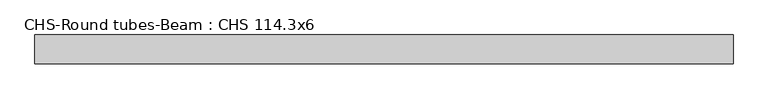
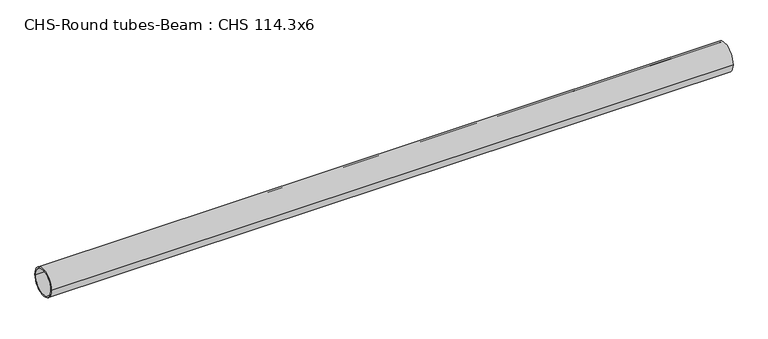
"""IFC4 building model written with IfcOpenShell, lengths in millimetres: beam geometry, CHS-Round tubes-Beam : CHS 114.3x6."""

import ifcopenshell
import ifcopenshell.guid

model = None  # the IFC model being written
_history = None  # IfcOwnerHistory: only IFC2X3 demands one
_inside = {}  # id of a spatial element -> (the spatial element, [elements in it])
_under = {}  # id of a project, library or spatial element -> (it, [spatial elements below it])
_declared = {}  # id of a project -> (the project, [libraries it declares])
_typed = {}  # id of a type object -> (the type object, [elements of that type])
_made_of = {}  # id of a material, layer set ... -> (it, [elements and type objects made of it])


def new_model(schema):
    """Start an empty IFC model of exactly this schema.

    Asked for "IFC4X3", IfcOpenShell would pick the latest addendum, in which some entities
    have other attributes; the version numbers below select the first issue.
    IFC2X3 requires an IfcOwnerHistory on every rooted entity: one is made here for all.
    """
    global model, _history
    if schema == "IFC4X3":
        model = ifcopenshell.file(schema_version=(4, 3, 0, 0))
    else:
        model = ifcopenshell.file(schema=schema)
    _inside.clear()
    _under.clear()
    _declared.clear()
    _typed.clear()
    _made_of.clear()
    _history = None
    if model.schema == "IFC2X3":
        org = make("IfcOrganization", Name="unknown")
        user = make(
            "IfcPersonAndOrganization",
            ThePerson=make("IfcPerson", FamilyName="unknown"),
            TheOrganization=org,
        )
        app = make(
            "IfcApplication",
            ApplicationDeveloper=org,
            Version="unknown",
            ApplicationFullName="unknown",
            ApplicationIdentifier="unknown",
        )
        _history = make(
            "IfcOwnerHistory",
            OwningUser=user,
            OwningApplication=app,
            ChangeAction="ADDED",
            CreationDate=0,
        )
    return model


def make(cls, **values):
    """One entity of the class cls with the attributes given. An attribute that is None is left unset."""
    return model.create_entity(
        cls, **{name: value for name, value in values.items() if value is not None}
    )


def rooted(cls, **values):
    """An entity with a GlobalId (a new one), such as an element, a storey or a relation."""
    return make(cls, GlobalId=ifcopenshell.guid.new(), OwnerHistory=_history, **values)


def si_unit(unit_type, name, prefix=None):
    """IfcSIUnit, for example si_unit("LENGTHUNIT", "METRE", prefix="MILLI")."""
    return make("IfcSIUnit", UnitType=unit_type, Prefix=prefix, Name=name)


def assignment(units):
    """IfcUnitAssignment: the units of a project."""
    return None if units is None else make("IfcUnitAssignment", Units=units)


def point(xyz):
    """IfcCartesianPoint."""
    return None if xyz is None else make("IfcCartesianPoint", Coordinates=xyz)


def direction(xyz):
    """IfcDirection."""
    return None if xyz is None else make("IfcDirection", DirectionRatios=xyz)


def frame(location, z_axis=None, x_axis=None):
    """IfcAxis2Placement3D, a coordinate frame: its origin and axes. An axis left out is left unset."""
    return make(
        "IfcAxis2Placement3D",
        Location=point(location),
        Axis=direction(z_axis),
        RefDirection=direction(x_axis),
    )


def frame_2d(location, x_axis=None):
    """IfcAxis2Placement2D, a coordinate frame in the plane: its origin and x axis."""
    return make(
        "IfcAxis2Placement2D", Location=point(location), RefDirection=direction(x_axis)
    )


def origin():
    """The frame at (0, 0, 0) with its axes left unset."""
    return frame((0.0, 0.0, 0.0))


def origin_2d():
    """The frame at (0, 0) in the plane with its x axis left unset."""
    return frame_2d((0.0, 0.0))


def place(relative_to, where):
    """IfcLocalPlacement: puts the frame where relative to a parent placement (None: the world)."""
    return make(
        "IfcLocalPlacement", PlacementRelTo=relative_to, RelativePlacement=where
    )


def context(
    kind, dimensions, precision=None, world=None, true_north=None, identifier=None
):
    """IfcGeometricRepresentationContext, for example the 3D "Model" context."""
    return make(
        "IfcGeometricRepresentationContext",
        ContextIdentifier=identifier,
        ContextType=kind,
        CoordinateSpaceDimension=dimensions,
        Precision=precision,
        WorldCoordinateSystem=world,
        TrueNorth=true_north,
    )


def project(units=None, contexts=None):
    """IfcProject with its units and contexts."""
    return rooted(
        "IfcProject",
        Name="project",
        RepresentationContexts=contexts,
        UnitsInContext=assignment(units),
    )


def spatial(cls, under=None, at=None, **own):
    """A site, building, storey or space (cls), placed at a placement, below another one or the project."""
    s = rooted(cls, ObjectPlacement=at, **own)
    if under is not None:
        _under.setdefault(under.id(), (under, []))[1].append(s)
    return s


def circle_curve(where, radius):
    """IfcCircle in the frame where."""
    return make("IfcCircle", Position=where, Radius=radius)


def trimmed(basis, trim1, trim2, sense, master):
    """IfcTrimmedCurve: the piece of a basis curve between two trims."""
    return make(
        "IfcTrimmedCurve",
        BasisCurve=basis,
        Trim1=trim1,
        Trim2=trim2,
        SenseAgreement=sense,
        MasterRepresentation=master,
    )


def segment(curve, same_sense, transition):
    """IfcCompositeCurveSegment."""
    return make(
        "IfcCompositeCurveSegment",
        Transition=transition,
        SameSense=same_sense,
        ParentCurve=curve,
    )


def composite_curve(segments, self_intersect=None):
    """IfcCompositeCurve: segments joined end to end."""
    return make("IfcCompositeCurve", Segments=segments, SelfIntersect=self_intersect)


def outline(outer, holes=None, kind="AREA"):
    """IfcArbitraryClosedProfileDef: a profile drawn as a closed curve; with holes, ...WithVoids."""
    if holes is None:
        return make("IfcArbitraryClosedProfileDef", ProfileType=kind, OuterCurve=outer)
    return make(
        "IfcArbitraryProfileDefWithVoids",
        ProfileType=kind,
        OuterCurve=outer,
        InnerCurves=holes,
    )


def extrude(swept, where, along, depth):
    """IfcExtrudedAreaSolid: the profile swept, set in the frame where, extruded along a direction by depth."""
    return make(
        "IfcExtrudedAreaSolid",
        SweptArea=swept,
        Position=where,
        ExtrudedDirection=direction(along),
        Depth=depth,
    )


def shape(context_of_items, identifier, shape_type, items):
    """IfcShapeRepresentation: the items that make up one representation, for example the "Body"."""
    return make(
        "IfcShapeRepresentation",
        ContextOfItems=context_of_items,
        RepresentationIdentifier=identifier,
        RepresentationType=shape_type,
        Items=items,
    )


def source(mapping_origin, context_of_items, identifier, shape_type, items):
    """IfcRepresentationMap: a shape defined once, which mapped items show again and again."""
    return make(
        "IfcRepresentationMap",
        MappingOrigin=mapping_origin,
        MappedRepresentation=shape(context_of_items, identifier, shape_type, items),
    )


def transform(
    local_origin,
    x_axis=None,
    y_axis=None,
    z_axis=None,
    scale=None,
    scale2=None,
    scale3=None,
    uniform=True,
):
    """IfcCartesianTransformationOperator3D, or its non-uniform kind. x_axis, y_axis, z_axis: its Axis1, 2, 3."""
    if uniform:
        return make(
            "IfcCartesianTransformationOperator3D",
            Axis1=direction(x_axis),
            Axis2=direction(y_axis),
            LocalOrigin=point(local_origin),
            Scale=scale,
            Axis3=direction(z_axis),
        )
    return make(
        "IfcCartesianTransformationOperator3DnonUniform",
        Axis1=direction(x_axis),
        Axis2=direction(y_axis),
        LocalOrigin=point(local_origin),
        Scale=scale,
        Axis3=direction(z_axis),
        Scale2=scale2,
        Scale3=scale3,
    )


def mapped(mapping_source, mapping_target):
    """IfcMappedItem: shows the shape of a source again, moved by a transform."""
    return make(
        "IfcMappedItem", MappingSource=mapping_source, MappingTarget=mapping_target
    )


def made_of(thing, what):
    """Note that an element or type object is made of a material, layer set ...; save() writes the relation."""
    if what is not None:
        _made_of.setdefault(what.id(), (what, []))[1].append(thing)
    return thing


def element(
    cls,
    number,
    at=None,
    inside=None,
    cuts=None,
    type_object=None,
    material=None,
    context=None,
    identifier="Body",
    shape_type=None,
    held_by="IfcProductDefinitionShape",
    body=None,
    shapes=None,
    **own,
):
    """One element of the class cls, such as IfcWall. Its Tag is "e" and its number.

    at: its placement. inside: the storey or other place that contains it. cuts: it is an
    opening in that element (IfcRelVoidsElement). A single representation is given by context,
    identifier, shape_type and body (its items); several are given by shapes. held_by: the class
    of the entity that holds the representations. save() writes the other relations.
    """
    e = rooted(cls, Tag="e%d" % number, ObjectPlacement=at, **own)
    if body is not None:
        shapes = [shape(context, identifier, shape_type, body)]
    if shapes is not None:
        e.Representation = make(held_by, Representations=shapes)
    if inside is not None:
        _inside.setdefault(inside.id(), (inside, []))[1].append(e)
    if cuts is not None:
        rooted(
            "IfcRelVoidsElement", RelatingBuildingElement=cuts, RelatedOpeningElement=e
        )
    if type_object is not None:
        _typed.setdefault(type_object.id(), (type_object, []))[1].append(e)
    return made_of(e, material)


def aggregate(whole, parts):
    """IfcRelAggregates: a whole, such as a stair, and the parts it consists of."""
    return rooted("IfcRelAggregates", RelatingObject=whole, RelatedObjects=parts)


def save(model, path):
    """Write the relations noted so far, then the file.

    IfcRelAggregates (storeys below a building ...), IfcRelContainedInSpatialStructure (elements
    in a storey), IfcRelDefinesByType, IfcRelAssociatesMaterial and IfcRelDeclares: one each for
    every whole, place, type object, material and project.
    """
    for whole, parts in _under.values():
        aggregate(whole, parts)
    for where, things in _inside.values():
        rooted(
            "IfcRelContainedInSpatialStructure",
            RelatedElements=things,
            RelatingStructure=where,
        )
    for kind, things in _typed.values():
        rooted("IfcRelDefinesByType", RelatedObjects=things, RelatingType=kind)
    for what, things in _made_of.values():
        rooted("IfcRelAssociatesMaterial", RelatedObjects=things, RelatingMaterial=what)
    for by, libraries in _declared.values():
        rooted("IfcRelDeclares", RelatingContext=by, RelatedDefinitions=libraries)
    model.write(path)


def chs_round_tubes_beam_chs_114_3x6_339a1b1c(model_context):
    return source(origin(), model_context, "Body", "SweptSolid", [
        extrude(outline(composite_curve([segment(trimmed(circle_curve(origin_2d(), 57.15), [point((57.15, 0.0))], [point((-57.15, 0.0))], False, "CARTESIAN"), True, "CONTINUOUS"), segment(trimmed(circle_curve(origin_2d(), 57.15), [point((-57.15, 0.0))], [point((57.15, 0.0))], False, "CARTESIAN"), True, "CONTINUOUS")], self_intersect=False), holes=[composite_curve([segment(trimmed(circle_curve(origin_2d(), 51.15), [point((51.15, 0.0))], [point((-51.15, 0.0))], True, "CARTESIAN"), True, "CONTINUOUS"), segment(trimmed(circle_curve(origin_2d(), 51.15), [point((-51.15, 0.0))], [point((51.15, 0.0))], True, "CARTESIAN"), True, "CONTINUOUS")], self_intersect=False)]), frame((-1303.7586895, 0.0, 0.0), z_axis=(1.0, 0.0, 0.0), x_axis=(0.0, 1.0, 0.0)), (0.0, 0.0, 1.0), 2751.6311416),
    ])


if __name__ == "__main__":
    model = new_model("IFC4")
    model_context = context("Model", 3, world=origin())
    ifc_project = project(units=[si_unit("LENGTHUNIT", "METRE", prefix="MILLI")], contexts=[model_context])
    site = spatial("IfcSite", under=ifc_project)
    building = spatial("IfcBuilding", under=site)
    placement = place(None, origin())
    chs_round_tubes_beam_chs_114_3x6_shape = chs_round_tubes_beam_chs_114_3x6_339a1b1c(model_context)
    element("IfcBeam", 1, ObjectType="CHS-Round tubes-Beam : CHS 114.3x6", at=placement, inside=building, context=model_context, shape_type="MappedRepresentation", body=[
        mapped(chs_round_tubes_beam_chs_114_3x6_shape, transform((0.0, 0.0, 0.0), x_axis=(1.0, 0.0, 0.0), y_axis=(0.0, 1.0, 0.0), z_axis=(0.0, 0.0, 1.0))),
    ])
    save(model, "model.ifc")
